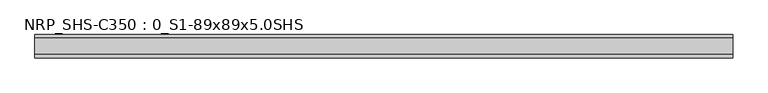
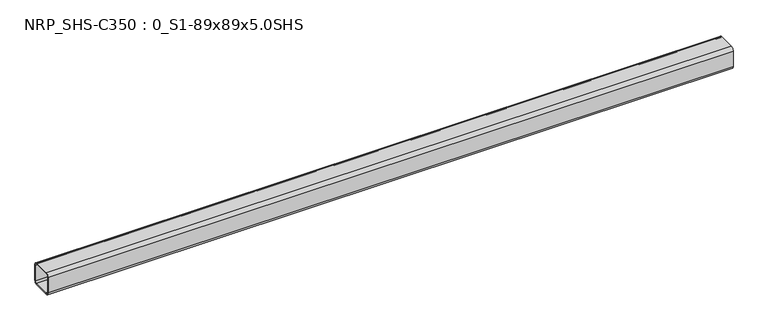
"""IFC4 building model written with IfcOpenShell, lengths in millimetres: beam geometry, NRP_SHS-C350 : 0_S1-89x89x5.0SHS."""

from ifc_helpers import new_model, si_unit, point, frame, frame_2d, origin, place, context, project, spatial, polyline, circle_curve, trimmed, segment, composite_curve, outline, extrude, source, transform, mapped, element, save


def nrp_shs_c350_0_s1_89x89x5_0shs_c9cd7265(model_context):
    return source(origin(), model_context, "Body", "SweptSolid", [
        extrude(outline(composite_curve([segment(trimmed(circle_curve(frame_2d((-32.0, 32.0)), 12.5), [point((-44.5, 32.0))], [point((-32.0, 44.5))], False, "CARTESIAN"), True, "CONTINUOUS"), segment(polyline([(-32.0, 44.5), (32.0, 44.5)]), True, "CONTINUOUS"), segment(trimmed(circle_curve(frame_2d((32.0, 32.0)), 12.5), [point((32.0, 44.5))], [point((44.5, 32.0))], False, "CARTESIAN"), True, "CONTINUOUS"), segment(polyline([(44.5, 32.0), (44.5, -32.0)]), True, "CONTINUOUS"), segment(trimmed(circle_curve(frame_2d((32.0, -32.0)), 12.5), [point((44.5, -32.0))], [point((32.0, -44.5))], False, "CARTESIAN"), True, "CONTINUOUS"), segment(polyline([(32.0, -44.5), (-32.0, -44.5)]), True, "CONTINUOUS"), segment(trimmed(circle_curve(frame_2d((-32.0, -32.0)), 12.5), [point((-32.0, -44.5))], [point((-44.5, -32.0))], False, "CARTESIAN"), True, "CONTINUOUS"), segment(polyline([(-44.5, -32.0), (-44.5, 32.0)]), True, "CONTINUOUS")], self_intersect=False), holes=[composite_curve([segment(polyline([(32.0, 39.5), (-32.0, 39.5)]), True, "CONTINUOUS"), segment(trimmed(circle_curve(frame_2d((-32.0, 32.0)), 7.5), [point((-32.0, 39.5))], [point((-39.5, 32.0))], True, "CARTESIAN"), True, "CONTINUOUS"), segment(polyline([(-39.5, 32.0), (-39.5, -32.0)]), True, "CONTINUOUS"), segment(trimmed(circle_curve(frame_2d((-32.0, -32.0)), 7.5), [point((-39.5, -32.0))], [point((-32.0, -39.5))], True, "CARTESIAN"), True, "CONTINUOUS"), segment(polyline([(-32.0, -39.5), (32.0, -39.5)]), True, "CONTINUOUS"), segment(trimmed(circle_curve(frame_2d((32.0, -32.0)), 7.5), [point((32.0, -39.5))], [point((39.5, -32.0))], True, "CARTESIAN"), True, "CONTINUOUS"), segment(polyline([(39.5, -32.0), (39.5, 32.0)]), True, "CONTINUOUS"), segment(trimmed(circle_curve(frame_2d((32.0, 32.0)), 7.5), [point((39.5, 32.0))], [point((32.0, 39.5))], True, "CARTESIAN"), True, "CONTINUOUS")], self_intersect=False)]), frame((-1279.5, 0.0, 0.0), z_axis=(1.0, 0.0, 0.0), x_axis=(0.0, 1.0, 0.0)), (0.0, 0.0, 1.0), 2668.0),
    ])


if __name__ == "__main__":
    model = new_model("IFC4")
    model_context = context("Model", 3, world=origin())
    ifc_project = project(units=[si_unit("LENGTHUNIT", "METRE", prefix="MILLI")], contexts=[model_context])
    site = spatial("IfcSite", under=ifc_project)
    building = spatial("IfcBuilding", under=site)
    placement = place(None, origin())
    nrp_shs_c350_0_s1_89x89x5_0shs_shape = nrp_shs_c350_0_s1_89x89x5_0shs_c9cd7265(model_context)
    element("IfcBeam", 1, ObjectType="NRP_SHS-C350 : 0_S1-89x89x5.0SHS", at=placement, inside=building, context=model_context, shape_type="MappedRepresentation", body=[
        mapped(nrp_shs_c350_0_s1_89x89x5_0shs_shape, transform((0.0, 0.0, 0.0), x_axis=(1.0, 0.0, 0.0), y_axis=(0.0, 1.0, 0.0), z_axis=(0.0, 0.0, 1.0))),
    ])
    save(model, "model.ifc")
